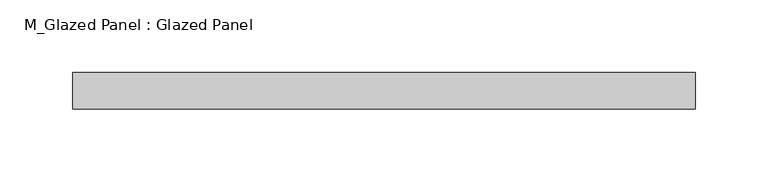
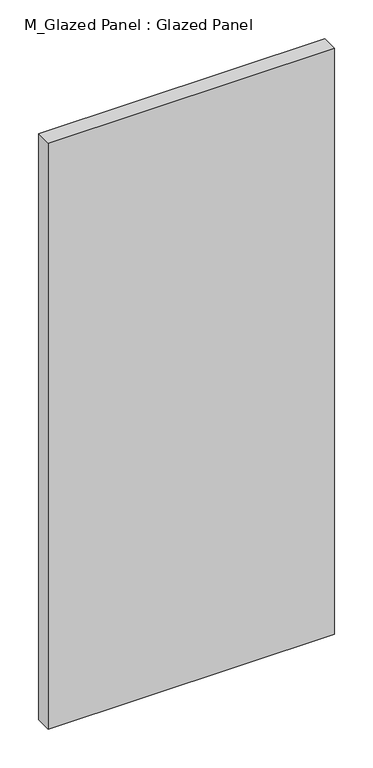
"""IFC4 building model written with IfcOpenShell, lengths in millimetres: plate geometry, M_Glazed Panel : Glazed Panel."""

from ifc_helpers import new_model, si_unit, origin, origin_with_axes, place, context, project, spatial, polyline, outline, extrude, source, transform, mapped, element, save


def m_glazed_panel_glazed_panel_e28cb5e6(model_context):
    return source(origin(), model_context, "Body", "SweptSolid", [
        extrude(outline(polyline([(213.6967725, 38.5), (-213.6967725, 38.5), (-213.6967725, 63.5), (213.6967725, 63.5), (213.6967725, 38.5)])), origin_with_axes(), (0.0, 0.0, 1.0), 925.0),
    ])


if __name__ == "__main__":
    model = new_model("IFC4")
    model_context = context("Model", 3, world=origin())
    ifc_project = project(units=[si_unit("LENGTHUNIT", "METRE", prefix="MILLI")], contexts=[model_context])
    site = spatial("IfcSite", under=ifc_project)
    building = spatial("IfcBuilding", under=site)
    placement = place(None, origin())
    m_glazed_panel_glazed_panel_shape = m_glazed_panel_glazed_panel_e28cb5e6(model_context)
    element("IfcPlate", 1, ObjectType="M_Glazed Panel : Glazed Panel", at=placement, inside=building, context=model_context, shape_type="MappedRepresentation", body=[
        mapped(m_glazed_panel_glazed_panel_shape, transform((0.0, 0.0, 0.0), x_axis=(1.0, 0.0, 0.0), y_axis=(0.0, 1.0, 0.0), z_axis=(0.0, 0.0, 1.0))),
    ])
    save(model, "model.ifc")
